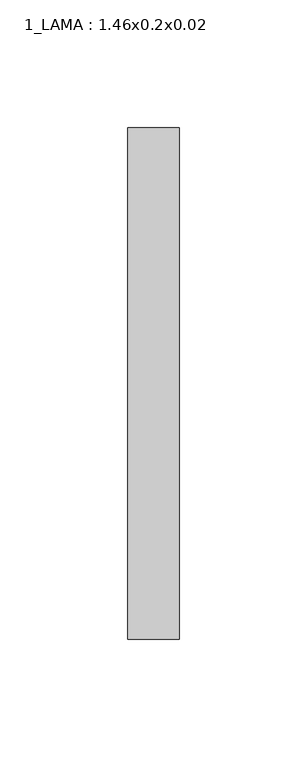
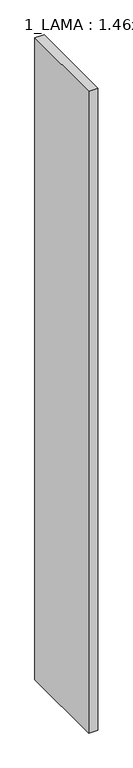
"""IFC4 building model written with IfcOpenShell, lengths in millimetres: proxy geometry, 1_LAMA : 1.46x0.2x0.02."""

from ifc_helpers import new_model, si_unit, origin, origin_with_axes, place, context, project, spatial, polyline, outline, extrude, source, transform, mapped, element, save


def proxy_1_lama_1_46x0_2x0_02_6419e3f2(model_context):
    return source(origin(), model_context, "Body", "SweptSolid", [
        extrude(outline(polyline([(20.0, 200.0), (20.0, 0.0), (0.0, 0.0), (0.0, 200.0), (20.0, 200.0)])), origin_with_axes(), (0.0, 0.0, 1.0), 1460.0),
    ])


if __name__ == "__main__":
    model = new_model("IFC4")
    model_context = context("Model", 3, world=origin())
    ifc_project = project(units=[si_unit("LENGTHUNIT", "METRE", prefix="MILLI")], contexts=[model_context])
    site = spatial("IfcSite", under=ifc_project)
    building = spatial("IfcBuilding", under=site)
    placement = place(None, origin())
    proxy_1_lama_1_46x0_2x0_02_shape = proxy_1_lama_1_46x0_2x0_02_6419e3f2(model_context)
    element("IfcBuildingElementProxy", 1, Name="1_LAMA : 1.46x0.2x0.02", ObjectType="1_LAMA : 1.46x0.2x0.02", at=placement, inside=building, context=model_context, shape_type="MappedRepresentation", body=[
        mapped(proxy_1_lama_1_46x0_2x0_02_shape, transform((0.0, 0.0, 0.0), x_axis=(1.0, 0.0, 0.0), y_axis=(0.0, 1.0, 0.0), z_axis=(0.0, 0.0, 1.0))),
    ])
    save(model, "model.ifc")
